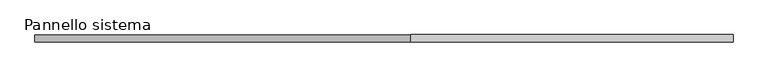
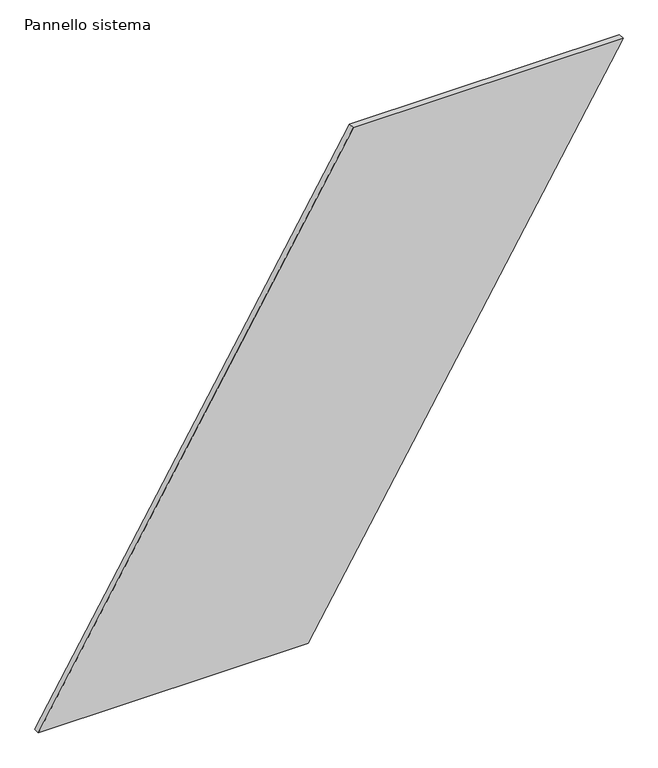
"""IFC4 building model written with IfcOpenShell, lengths in millimetres: plate geometry, Pannello sistema."""

from ifc_helpers import new_model, si_unit, frame, origin, place, context, project, spatial, polyline, outline, extrude, source, transform, mapped, element, save


def pannello_sistema_e8e5c1aa(model_context):
    return source(origin(), model_context, "Body", "SweptSolid", [
        extrude(outline(polyline([(0.0, -1192.2607583), (0.0, -91.7918913), (2158.2984589, 1192.2607583), (2158.2984589, 91.7918913), (0.0, -1192.2607583)])), frame((0.0, -12.5, 0.0), z_axis=(0.0, 1.0, 0.0), x_axis=(0.0, 0.0, 1.0)), (0.0, 0.0, 1.0), 25.0),
    ])


if __name__ == "__main__":
    model = new_model("IFC4")
    model_context = context("Model", 3, world=origin())
    ifc_project = project(units=[si_unit("LENGTHUNIT", "METRE", prefix="MILLI")], contexts=[model_context])
    site = spatial("IfcSite", under=ifc_project)
    building = spatial("IfcBuilding", under=site)
    placement = place(None, origin())
    pannello_sistema_shape = pannello_sistema_e8e5c1aa(model_context)
    element("IfcPlate", 1, ObjectType="Pannello sistema", at=placement, inside=building, context=model_context, shape_type="MappedRepresentation", body=[
        mapped(pannello_sistema_shape, transform((0.0, 0.0, 0.0), x_axis=(1.0, 0.0, 0.0), y_axis=(0.0, 1.0, 0.0), z_axis=(0.0, 0.0, 1.0))),
    ])
    save(model, "model.ifc")
